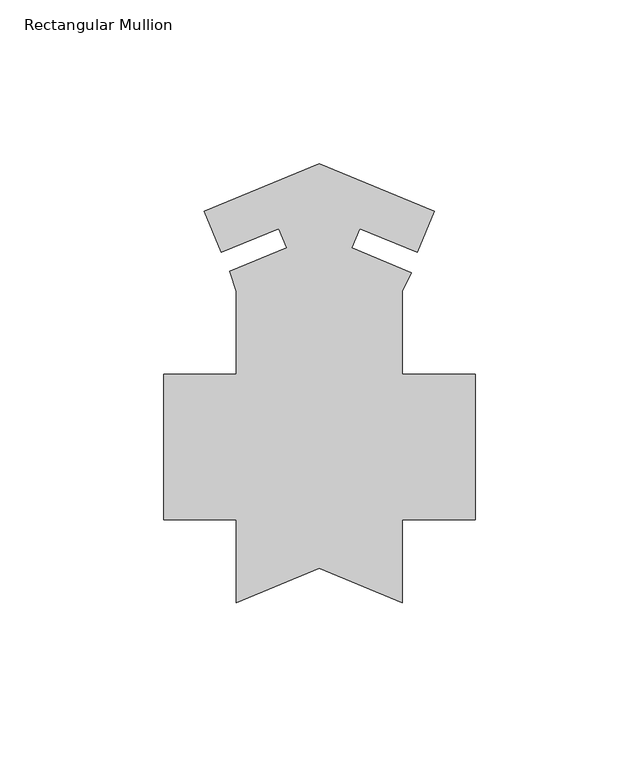
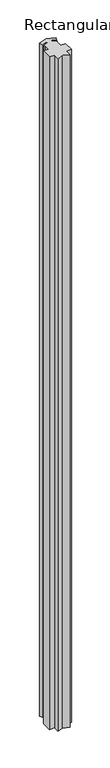
"""IFC4 building model written with IfcOpenShell, lengths in millimetres: member geometry, Rectangular Mullion."""

import ifcopenshell
import ifcopenshell.guid

model = None  # the IFC model being written
_history = None  # IfcOwnerHistory: only IFC2X3 demands one
_inside = {}  # id of a spatial element -> (the spatial element, [elements in it])
_under = {}  # id of a project, library or spatial element -> (it, [spatial elements below it])
_declared = {}  # id of a project -> (the project, [libraries it declares])
_typed = {}  # id of a type object -> (the type object, [elements of that type])
_made_of = {}  # id of a material, layer set ... -> (it, [elements and type objects made of it])


def new_model(schema):
    """Start an empty IFC model of exactly this schema.

    Asked for "IFC4X3", IfcOpenShell would pick the latest addendum, in which some entities
    have other attributes; the version numbers below select the first issue.
    IFC2X3 requires an IfcOwnerHistory on every rooted entity: one is made here for all.
    """
    global model, _history
    if schema == "IFC4X3":
        model = ifcopenshell.file(schema_version=(4, 3, 0, 0))
    else:
        model = ifcopenshell.file(schema=schema)
    _inside.clear()
    _under.clear()
    _declared.clear()
    _typed.clear()
    _made_of.clear()
    _history = None
    if model.schema == "IFC2X3":
        org = make("IfcOrganization", Name="unknown")
        user = make(
            "IfcPersonAndOrganization",
            ThePerson=make("IfcPerson", FamilyName="unknown"),
            TheOrganization=org,
        )
        app = make(
            "IfcApplication",
            ApplicationDeveloper=org,
            Version="unknown",
            ApplicationFullName="unknown",
            ApplicationIdentifier="unknown",
        )
        _history = make(
            "IfcOwnerHistory",
            OwningUser=user,
            OwningApplication=app,
            ChangeAction="ADDED",
            CreationDate=0,
        )
    return model


def make(cls, **values):
    """One entity of the class cls with the attributes given. An attribute that is None is left unset."""
    return model.create_entity(
        cls, **{name: value for name, value in values.items() if value is not None}
    )


def rooted(cls, **values):
    """An entity with a GlobalId (a new one), such as an element, a storey or a relation."""
    return make(cls, GlobalId=ifcopenshell.guid.new(), OwnerHistory=_history, **values)


def si_unit(unit_type, name, prefix=None):
    """IfcSIUnit, for example si_unit("LENGTHUNIT", "METRE", prefix="MILLI")."""
    return make("IfcSIUnit", UnitType=unit_type, Prefix=prefix, Name=name)


def assignment(units):
    """IfcUnitAssignment: the units of a project."""
    return None if units is None else make("IfcUnitAssignment", Units=units)


def point(xyz):
    """IfcCartesianPoint."""
    return None if xyz is None else make("IfcCartesianPoint", Coordinates=xyz)


def direction(xyz):
    """IfcDirection."""
    return None if xyz is None else make("IfcDirection", DirectionRatios=xyz)


def frame(location, z_axis=None, x_axis=None):
    """IfcAxis2Placement3D, a coordinate frame: its origin and axes. An axis left out is left unset."""
    return make(
        "IfcAxis2Placement3D",
        Location=point(location),
        Axis=direction(z_axis),
        RefDirection=direction(x_axis),
    )


def origin():
    """The frame at (0, 0, 0) with its axes left unset."""
    return frame((0.0, 0.0, 0.0))


def place(relative_to, where):
    """IfcLocalPlacement: puts the frame where relative to a parent placement (None: the world)."""
    return make(
        "IfcLocalPlacement", PlacementRelTo=relative_to, RelativePlacement=where
    )


def context(
    kind, dimensions, precision=None, world=None, true_north=None, identifier=None
):
    """IfcGeometricRepresentationContext, for example the 3D "Model" context."""
    return make(
        "IfcGeometricRepresentationContext",
        ContextIdentifier=identifier,
        ContextType=kind,
        CoordinateSpaceDimension=dimensions,
        Precision=precision,
        WorldCoordinateSystem=world,
        TrueNorth=true_north,
    )


def project(units=None, contexts=None):
    """IfcProject with its units and contexts."""
    return rooted(
        "IfcProject",
        Name="project",
        RepresentationContexts=contexts,
        UnitsInContext=assignment(units),
    )


def spatial(cls, under=None, at=None, **own):
    """A site, building, storey or space (cls), placed at a placement, below another one or the project."""
    s = rooted(cls, ObjectPlacement=at, **own)
    if under is not None:
        _under.setdefault(under.id(), (under, []))[1].append(s)
    return s


def polyline(points):
    """IfcPolyline through the points."""
    return make("IfcPolyline", Points=[point(p) for p in points])


def outline(outer, holes=None, kind="AREA"):
    """IfcArbitraryClosedProfileDef: a profile drawn as a closed curve; with holes, ...WithVoids."""
    if holes is None:
        return make("IfcArbitraryClosedProfileDef", ProfileType=kind, OuterCurve=outer)
    return make(
        "IfcArbitraryProfileDefWithVoids",
        ProfileType=kind,
        OuterCurve=outer,
        InnerCurves=holes,
    )


def extrude(swept, where, along, depth):
    """IfcExtrudedAreaSolid: the profile swept, set in the frame where, extruded along a direction by depth."""
    return make(
        "IfcExtrudedAreaSolid",
        SweptArea=swept,
        Position=where,
        ExtrudedDirection=direction(along),
        Depth=depth,
    )


def shape(context_of_items, identifier, shape_type, items):
    """IfcShapeRepresentation: the items that make up one representation, for example the "Body"."""
    return make(
        "IfcShapeRepresentation",
        ContextOfItems=context_of_items,
        RepresentationIdentifier=identifier,
        RepresentationType=shape_type,
        Items=items,
    )


def source(mapping_origin, context_of_items, identifier, shape_type, items):
    """IfcRepresentationMap: a shape defined once, which mapped items show again and again."""
    return make(
        "IfcRepresentationMap",
        MappingOrigin=mapping_origin,
        MappedRepresentation=shape(context_of_items, identifier, shape_type, items),
    )


def transform(
    local_origin,
    x_axis=None,
    y_axis=None,
    z_axis=None,
    scale=None,
    scale2=None,
    scale3=None,
    uniform=True,
):
    """IfcCartesianTransformationOperator3D, or its non-uniform kind. x_axis, y_axis, z_axis: its Axis1, 2, 3."""
    if uniform:
        return make(
            "IfcCartesianTransformationOperator3D",
            Axis1=direction(x_axis),
            Axis2=direction(y_axis),
            LocalOrigin=point(local_origin),
            Scale=scale,
            Axis3=direction(z_axis),
        )
    return make(
        "IfcCartesianTransformationOperator3DnonUniform",
        Axis1=direction(x_axis),
        Axis2=direction(y_axis),
        LocalOrigin=point(local_origin),
        Scale=scale,
        Axis3=direction(z_axis),
        Scale2=scale2,
        Scale3=scale3,
    )


def mapped(mapping_source, mapping_target):
    """IfcMappedItem: shows the shape of a source again, moved by a transform."""
    return make(
        "IfcMappedItem", MappingSource=mapping_source, MappingTarget=mapping_target
    )


def made_of(thing, what):
    """Note that an element or type object is made of a material, layer set ...; save() writes the relation."""
    if what is not None:
        _made_of.setdefault(what.id(), (what, []))[1].append(thing)
    return thing


def element(
    cls,
    number,
    at=None,
    inside=None,
    cuts=None,
    type_object=None,
    material=None,
    context=None,
    identifier="Body",
    shape_type=None,
    held_by="IfcProductDefinitionShape",
    body=None,
    shapes=None,
    **own,
):
    """One element of the class cls, such as IfcWall. Its Tag is "e" and its number.

    at: its placement. inside: the storey or other place that contains it. cuts: it is an
    opening in that element (IfcRelVoidsElement). A single representation is given by context,
    identifier, shape_type and body (its items); several are given by shapes. held_by: the class
    of the entity that holds the representations. save() writes the other relations.
    """
    e = rooted(cls, Tag="e%d" % number, ObjectPlacement=at, **own)
    if body is not None:
        shapes = [shape(context, identifier, shape_type, body)]
    if shapes is not None:
        e.Representation = make(held_by, Representations=shapes)
    if inside is not None:
        _inside.setdefault(inside.id(), (inside, []))[1].append(e)
    if cuts is not None:
        rooted(
            "IfcRelVoidsElement", RelatingBuildingElement=cuts, RelatedOpeningElement=e
        )
    if type_object is not None:
        _typed.setdefault(type_object.id(), (type_object, []))[1].append(e)
    return made_of(e, material)


def aggregate(whole, parts):
    """IfcRelAggregates: a whole, such as a stair, and the parts it consists of."""
    return rooted("IfcRelAggregates", RelatingObject=whole, RelatedObjects=parts)


def save(model, path):
    """Write the relations noted so far, then the file.

    IfcRelAggregates (storeys below a building ...), IfcRelContainedInSpatialStructure (elements
    in a storey), IfcRelDefinesByType, IfcRelAssociatesMaterial and IfcRelDeclares: one each for
    every whole, place, type object, material and project.
    """
    for whole, parts in _under.values():
        aggregate(whole, parts)
    for where, things in _inside.values():
        rooted(
            "IfcRelContainedInSpatialStructure",
            RelatedElements=things,
            RelatingStructure=where,
        )
    for kind, things in _typed.values():
        rooted("IfcRelDefinesByType", RelatedObjects=things, RelatingType=kind)
    for what, things in _made_of.values():
        rooted("IfcRelAssociatesMaterial", RelatedObjects=things, RelatingMaterial=what)
    for by, libraries in _declared.values():
        rooted("IfcRelDeclares", RelatingContext=by, RelatedDefinitions=libraries)
    model.write(path)


def rectangular_mullion_d36f499c(model_context):
    return source(origin(), model_context, "Body", "SweptSolid", [
        extrude(outline(polyline([(-47.6072805, -60.2118141), (-73.0135979, -70.7354554), (-73.0135979, -45.3346307), (-95.20931, -45.3346307), (-95.20931, -0.8846307), (-73.0135979, -0.8846307), (-73.0135979, 24.4458578), (-74.9857831, 30.528232), (-57.5588348, 37.7462145), (-59.9939277, 43.6250489), (-77.5694777, 36.3450162), (-82.7818697, 48.9297081), (-47.6060734, 63.5), (-12.4055324, 48.9194585), (-17.6179244, 36.3347667), (-35.218219, 43.6250489), (-37.6659714, 37.715652), (-19.4240692, 30.1596072), (-22.2144495, 24.5242289), (-22.2144495, -0.8846307), (0.0, -0.8846307), (0.0, -45.3346307), (-22.2144495, -45.3346307), (-22.2144495, -70.7298691), (-47.6072805, -60.2118141)])), frame((0.0, 0.0, -3048.0), z_axis=(0.0, 0.0, 1.0), x_axis=(1.0, 0.0, 0.0)), (0.0, 0.0, 1.0), 3048.0),
    ])


if __name__ == "__main__":
    model = new_model("IFC4")
    model_context = context("Model", 3, world=origin())
    ifc_project = project(units=[si_unit("LENGTHUNIT", "METRE", prefix="MILLI")], contexts=[model_context])
    site = spatial("IfcSite", under=ifc_project)
    building = spatial("IfcBuilding", under=site)
    placement = place(None, origin())
    rectangular_mullion_shape = rectangular_mullion_d36f499c(model_context)
    element("IfcMember", 1, ObjectType="Rectangular Mullion", at=placement, inside=building, context=model_context, shape_type="MappedRepresentation", body=[
        mapped(rectangular_mullion_shape, transform((0.0, 0.0, 0.0), x_axis=(1.0, 0.0, 0.0), y_axis=(0.0, 1.0, 0.0), z_axis=(0.0, 0.0, 1.0))),
    ])
    save(model, "model.ifc")
